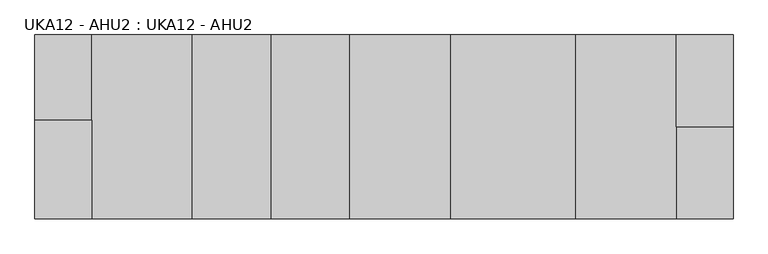
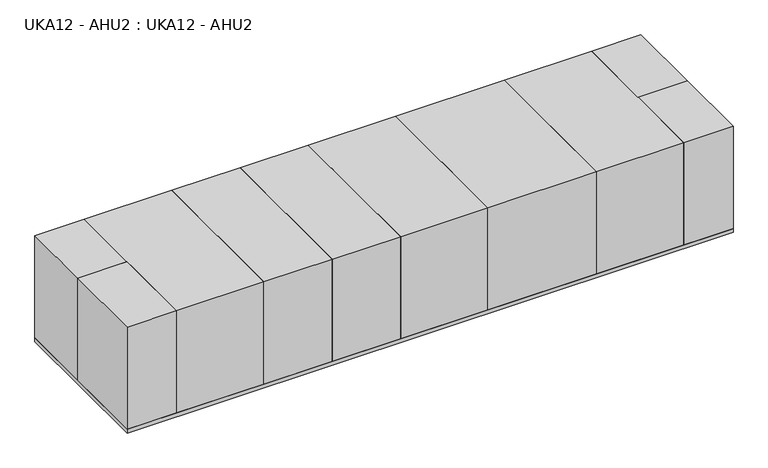
"""IFC4 building model written with IfcOpenShell, lengths in millimetres: proxy geometry, UKA12 - AHU2 : UKA12 - AHU2."""

from ifc_helpers import new_model, si_unit, frame, origin, origin_with_axes, place, context, project, spatial, polyline, outline, extrude, source, transform, mapped, element, save


def uka12_ahu2_uka12_ahu2_c6b96262(model_context):
    return source(origin(), model_context, "Body", "SweptSolid", [
        extrude(outline(polyline([(-9061.45, -4054.475), (-10315.575, -4054.475), (-10315.575, -1879.6), (-9061.45, -1879.6), (-9061.45, -4054.475)])), frame((0.0, 0.0, 101.6), z_axis=(0.0, 0.0, 1.0), x_axis=(1.0, 0.0, 0.0)), (0.0, 0.0, 1.0), 2743.2),
        extrude(outline(polyline([(5080.0, -2027.2375), (3825.875, -2027.2375), (3825.875, 0.0), (5080.0, 0.0), (5080.0, -2027.2375)])), frame((0.0, 0.0, 101.6), z_axis=(0.0, 0.0, 1.0), x_axis=(1.0, 0.0, 0.0)), (0.0, 0.0, 1.0), 2743.2),
        extrude(outline(polyline([(1601.7875, -4054.475), (-1149.35, -4054.475), (-1149.35, 0.0), (1601.7875, 0.0), (1601.7875, -4054.475)])), frame((0.0, 0.0, 101.6), z_axis=(0.0, 0.0, 1.0), x_axis=(1.0, 0.0, 0.0)), (0.0, 0.0, 1.0), 2743.2),
        extrude(outline(polyline([(-1149.35, -4054.475), (-3368.675, -4054.475), (-3368.675, 0.0), (-1149.35, 0.0), (-1149.35, -4054.475)])), frame((0.0, 0.0, 101.6), z_axis=(0.0, 0.0, 1.0), x_axis=(1.0, 0.0, 0.0)), (0.0, 0.0, 1.0), 2743.2),
        extrude(outline(polyline([(-3368.675, -4054.475), (-5105.4, -4054.475), (-5105.4, 0.0), (-3368.675, 0.0), (-3368.675, -4054.475)])), frame((0.0, 0.0, 101.6), z_axis=(0.0, 0.0, 1.0), x_axis=(1.0, 0.0, 0.0)), (0.0, 0.0, 1.0), 2743.2),
        extrude(outline(polyline([(-5105.4, -4054.475), (-6842.125, -4054.475), (-6842.125, 0.0), (-5105.4, 0.0), (-5105.4, -4054.475)])), frame((0.0, 0.0, 101.6), z_axis=(0.0, 0.0, 1.0), x_axis=(1.0, 0.0, 0.0)), (0.0, 0.0, 1.0), 2743.2),
        extrude(outline(polyline([(-6842.125, -4054.475), (-9061.45, -4054.475), (-9061.45, 0.0), (-6842.125, 0.0), (-6842.125, -4054.475)])), frame((0.0, 0.0, 101.6), z_axis=(0.0, 0.0, 1.0), x_axis=(1.0, 0.0, 0.0)), (0.0, 0.0, 1.0), 2743.2),
        extrude(outline(polyline([(3825.875, -4054.475), (1606.55, -4054.475), (1606.55, 0.0), (3825.875, 0.0), (3825.875, -4054.475)])), frame((0.0, 0.0, 101.6), z_axis=(0.0, 0.0, 1.0), x_axis=(1.0, 0.0, 0.0)), (0.0, 0.0, 1.0), 2743.2),
        extrude(outline(polyline([(5080.0, -4054.475), (3825.875, -4054.475), (3825.875, -2027.2375), (5080.0, -2027.2375), (5080.0, -4054.475)])), frame((0.0, 0.0, 101.6), z_axis=(0.0, 0.0, 1.0), x_axis=(1.0, 0.0, 0.0)), (0.0, 0.0, 1.0), 2743.2),
        extrude(outline(polyline([(-9061.45, -1879.6), (-10315.575, -1879.6), (-10315.575, 0.0), (-9061.45, 0.0), (-9061.45, -1879.6)])), frame((0.0, 0.0, 101.6), z_axis=(0.0, 0.0, 1.0), x_axis=(1.0, 0.0, 0.0)), (0.0, 0.0, 1.0), 2743.2),
        extrude(outline(polyline([(5080.0, 0.0), (5080.0, -4054.475), (-10315.575, -4054.475), (-10315.575, 0.0), (5080.0, 0.0)])), origin_with_axes(), (0.0, 0.0, 1.0), 101.6),
    ])


if __name__ == "__main__":
    model = new_model("IFC4")
    model_context = context("Model", 3, world=origin())
    ifc_project = project(units=[si_unit("LENGTHUNIT", "METRE", prefix="MILLI")], contexts=[model_context])
    site = spatial("IfcSite", under=ifc_project)
    building = spatial("IfcBuilding", under=site)
    placement = place(None, origin())
    uka12_ahu2_uka12_ahu2_shape = uka12_ahu2_uka12_ahu2_c6b96262(model_context)
    element("IfcBuildingElementProxy", 1, Name="UKA12 - AHU2 : UKA12 - AHU2", ObjectType="UKA12 - AHU2 : UKA12 - AHU2", at=placement, inside=building, context=model_context, shape_type="MappedRepresentation", body=[
        mapped(uka12_ahu2_uka12_ahu2_shape, transform((0.0, 0.0, 0.0), x_axis=(1.0, 0.0, 0.0), y_axis=(0.0, 1.0, 0.0), z_axis=(0.0, 0.0, 1.0))),
    ])
    save(model, "model.ifc")
